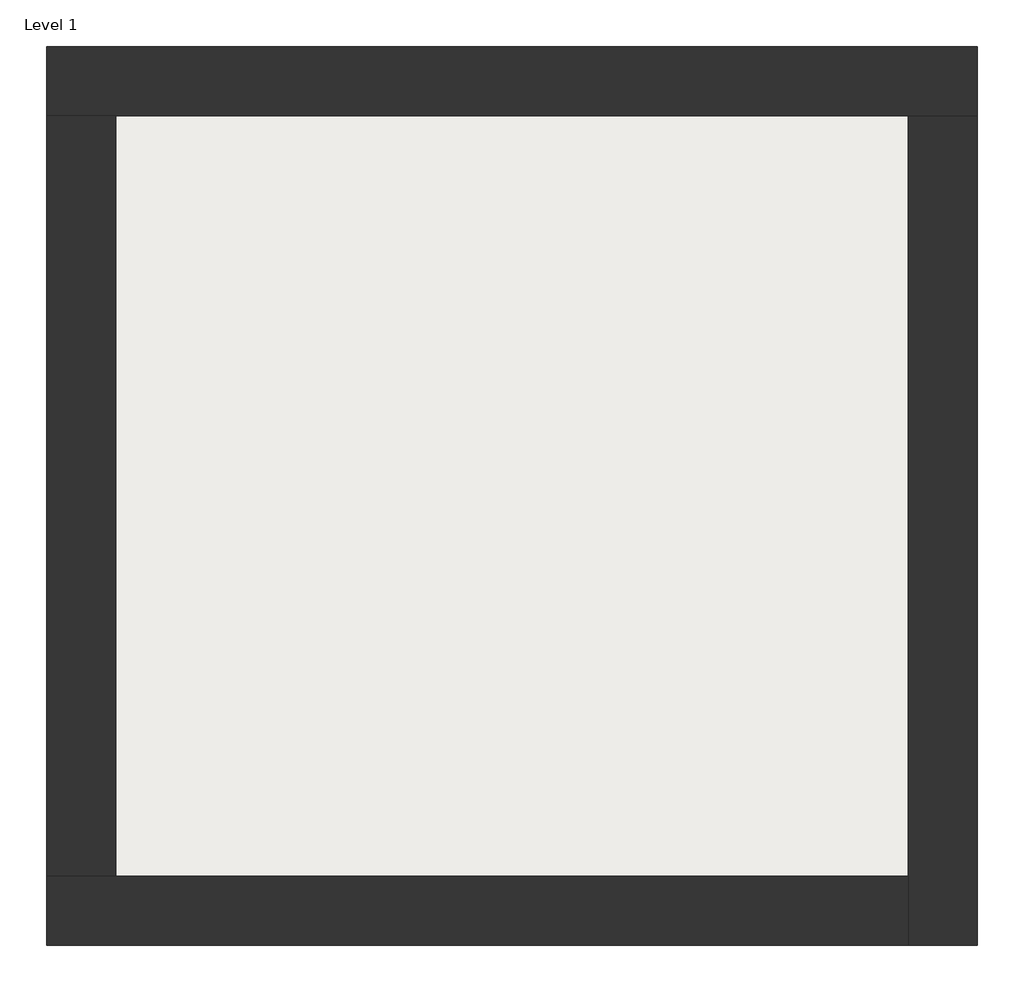
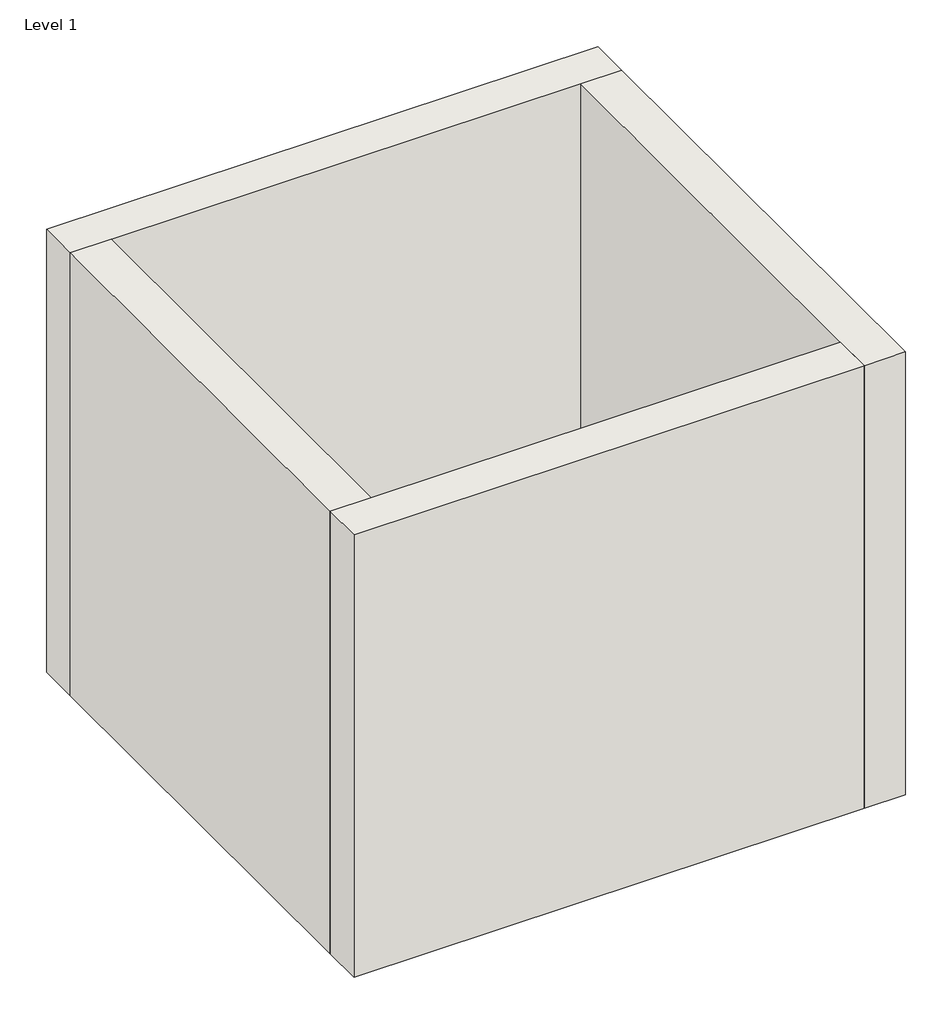
# One storey: 4 walls, 1 slab.
"""IFC4 building model written with IfcOpenShell, lengths in millimetres."""

import ifcopenshell
import ifcopenshell.guid

model = None  # the IFC model being written
_history = None  # IfcOwnerHistory: only IFC2X3 demands one
_inside = {}  # id of a spatial element -> (the spatial element, [elements in it])
_under = {}  # id of a project, library or spatial element -> (it, [spatial elements below it])
_declared = {}  # id of a project -> (the project, [libraries it declares])
_typed = {}  # id of a type object -> (the type object, [elements of that type])
_made_of = {}  # id of a material, layer set ... -> (it, [elements and type objects made of it])


def new_model(schema):
    """Start an empty IFC model of exactly this schema.

    Asked for "IFC4X3", IfcOpenShell would pick the latest addendum, in which some entities
    have other attributes; the version numbers below select the first issue.
    IFC2X3 requires an IfcOwnerHistory on every rooted entity: one is made here for all.
    """
    global model, _history
    if schema == "IFC4X3":
        model = ifcopenshell.file(schema_version=(4, 3, 0, 0))
    else:
        model = ifcopenshell.file(schema=schema)
    _inside.clear()
    _under.clear()
    _declared.clear()
    _typed.clear()
    _made_of.clear()
    _history = None
    if model.schema == "IFC2X3":
        org = make("IfcOrganization", Name="unknown")
        user = make(
            "IfcPersonAndOrganization",
            ThePerson=make("IfcPerson", FamilyName="unknown"),
            TheOrganization=org,
        )
        app = make(
            "IfcApplication",
            ApplicationDeveloper=org,
            Version="unknown",
            ApplicationFullName="unknown",
            ApplicationIdentifier="unknown",
        )
        _history = make(
            "IfcOwnerHistory",
            OwningUser=user,
            OwningApplication=app,
            ChangeAction="ADDED",
            CreationDate=0,
        )
    return model


def make(cls, **values):
    """One entity of the class cls with the attributes given. An attribute that is None is left unset."""
    return model.create_entity(
        cls, **{name: value for name, value in values.items() if value is not None}
    )


def rooted(cls, **values):
    """An entity with a GlobalId (a new one), such as an element, a storey or a relation."""
    return make(cls, GlobalId=ifcopenshell.guid.new(), OwnerHistory=_history, **values)


def si_unit(unit_type, name, prefix=None):
    """IfcSIUnit, for example si_unit("LENGTHUNIT", "METRE", prefix="MILLI")."""
    return make("IfcSIUnit", UnitType=unit_type, Prefix=prefix, Name=name)


def assignment(units):
    """IfcUnitAssignment: the units of a project."""
    return None if units is None else make("IfcUnitAssignment", Units=units)


def point(xyz):
    """IfcCartesianPoint."""
    return None if xyz is None else make("IfcCartesianPoint", Coordinates=xyz)


def direction(xyz):
    """IfcDirection."""
    return None if xyz is None else make("IfcDirection", DirectionRatios=xyz)


def frame(location, z_axis=None, x_axis=None):
    """IfcAxis2Placement3D, a coordinate frame: its origin and axes. An axis left out is left unset."""
    return make(
        "IfcAxis2Placement3D",
        Location=point(location),
        Axis=direction(z_axis),
        RefDirection=direction(x_axis),
    )


def origin():
    """The frame at (0, 0, 0) with its axes left unset."""
    return frame((0.0, 0.0, 0.0))


def origin_with_axes():
    """The frame at (0, 0, 0) with the z axis (0, 0, 1) and the x axis (1, 0, 0) written out."""
    return frame((0.0, 0.0, 0.0), z_axis=(0.0, 0.0, 1.0), x_axis=(1.0, 0.0, 0.0))


def place(relative_to, where):
    """IfcLocalPlacement: puts the frame where relative to a parent placement (None: the world)."""
    return make(
        "IfcLocalPlacement", PlacementRelTo=relative_to, RelativePlacement=where
    )


def context(
    kind, dimensions, precision=None, world=None, true_north=None, identifier=None
):
    """IfcGeometricRepresentationContext, for example the 3D "Model" context."""
    return make(
        "IfcGeometricRepresentationContext",
        ContextIdentifier=identifier,
        ContextType=kind,
        CoordinateSpaceDimension=dimensions,
        Precision=precision,
        WorldCoordinateSystem=world,
        TrueNorth=true_north,
    )


def project(units=None, contexts=None):
    """IfcProject with its units and contexts."""
    return rooted(
        "IfcProject",
        Name="project",
        RepresentationContexts=contexts,
        UnitsInContext=assignment(units),
    )


def spatial(cls, under=None, at=None, **own):
    """A site, building, storey or space (cls), placed at a placement, below another one or the project."""
    s = rooted(cls, ObjectPlacement=at, **own)
    if under is not None:
        _under.setdefault(under.id(), (under, []))[1].append(s)
    return s


def polyline(points):
    """IfcPolyline through the points."""
    return make("IfcPolyline", Points=[point(p) for p in points])


def outline(outer, holes=None, kind="AREA"):
    """IfcArbitraryClosedProfileDef: a profile drawn as a closed curve; with holes, ...WithVoids."""
    if holes is None:
        return make("IfcArbitraryClosedProfileDef", ProfileType=kind, OuterCurve=outer)
    return make(
        "IfcArbitraryProfileDefWithVoids",
        ProfileType=kind,
        OuterCurve=outer,
        InnerCurves=holes,
    )


def extrude(swept, where, along, depth):
    """IfcExtrudedAreaSolid: the profile swept, set in the frame where, extruded along a direction by depth."""
    return make(
        "IfcExtrudedAreaSolid",
        SweptArea=swept,
        Position=where,
        ExtrudedDirection=direction(along),
        Depth=depth,
    )


def faces_of(points, faces, orient=None, outer=None):
    """IfcFace entities. A face is a list of loops; a loop is a list of indices into points, from 0.

    orient and outer hold one flag for each loop. By default every Orientation is true, the
    first loop of a face is its IfcFaceOuterBound and the others are IfcFaceBound.
    """
    made = []
    for i, loops in enumerate(faces):
        bounds = []
        for j, loop in enumerate(loops):
            is_outer = j == 0 if outer is None else outer[i][j]
            bounds.append(
                make(
                    "IfcFaceOuterBound" if is_outer else "IfcFaceBound",
                    Bound=make("IfcPolyLoop", Polygon=[points[k] for k in loop]),
                    Orientation=True if orient is None else orient[i][j],
                )
            )
        made.append(make("IfcFace", Bounds=bounds))
    return made


def faceted_brep(points, faces, orient=None, outer=None, voids=None):
    """IfcFacetedBrep: a solid bounded by flat faces; with voids (closed shells), ...WithVoids."""
    shared = [point(p) for p in points]
    hull = make("IfcClosedShell", CfsFaces=faces_of(shared, faces, orient, outer))
    if voids is None:
        return make("IfcFacetedBrep", Outer=hull)
    return make(
        "IfcFacetedBrepWithVoids",
        Outer=hull,
        Voids=[
            make(cls, CfsFaces=faces_of(shared, fs, o, b)) for cls, fs, o, b in voids
        ],
    )


def shape(context_of_items, identifier, shape_type, items):
    """IfcShapeRepresentation: the items that make up one representation, for example the "Body"."""
    return make(
        "IfcShapeRepresentation",
        ContextOfItems=context_of_items,
        RepresentationIdentifier=identifier,
        RepresentationType=shape_type,
        Items=items,
    )


def made_of(thing, what):
    """Note that an element or type object is made of a material, layer set ...; save() writes the relation."""
    if what is not None:
        _made_of.setdefault(what.id(), (what, []))[1].append(thing)
    return thing


def element(
    cls,
    number,
    at=None,
    inside=None,
    cuts=None,
    type_object=None,
    material=None,
    context=None,
    identifier="Body",
    shape_type=None,
    held_by="IfcProductDefinitionShape",
    body=None,
    shapes=None,
    **own,
):
    """One element of the class cls, such as IfcWall. Its Tag is "e" and its number.

    at: its placement. inside: the storey or other place that contains it. cuts: it is an
    opening in that element (IfcRelVoidsElement). A single representation is given by context,
    identifier, shape_type and body (its items); several are given by shapes. held_by: the class
    of the entity that holds the representations. save() writes the other relations.
    """
    e = rooted(cls, Tag="e%d" % number, ObjectPlacement=at, **own)
    if body is not None:
        shapes = [shape(context, identifier, shape_type, body)]
    if shapes is not None:
        e.Representation = make(held_by, Representations=shapes)
    if inside is not None:
        _inside.setdefault(inside.id(), (inside, []))[1].append(e)
    if cuts is not None:
        rooted(
            "IfcRelVoidsElement", RelatingBuildingElement=cuts, RelatedOpeningElement=e
        )
    if type_object is not None:
        _typed.setdefault(type_object.id(), (type_object, []))[1].append(e)
    return made_of(e, material)


def aggregate(whole, parts):
    """IfcRelAggregates: a whole, such as a stair, and the parts it consists of."""
    return rooted("IfcRelAggregates", RelatingObject=whole, RelatedObjects=parts)


def save(model, path):
    """Write the relations noted so far, then the file.

    IfcRelAggregates (storeys below a building ...), IfcRelContainedInSpatialStructure (elements
    in a storey), IfcRelDefinesByType, IfcRelAssociatesMaterial and IfcRelDeclares: one each for
    every whole, place, type object, material and project.
    """
    for whole, parts in _under.values():
        aggregate(whole, parts)
    for where, things in _inside.values():
        rooted(
            "IfcRelContainedInSpatialStructure",
            RelatedElements=things,
            RelatingStructure=where,
        )
    for kind, things in _typed.values():
        rooted("IfcRelDefinesByType", RelatedObjects=things, RelatingType=kind)
    for what, things in _made_of.values():
        rooted("IfcRelAssociatesMaterial", RelatedObjects=things, RelatingMaterial=what)
    for by, libraries in _declared.values():
        rooted("IfcRelDeclares", RelatingContext=by, RelatedDefinitions=libraries)
    model.write(path)


model = new_model("IFC4")

# Units and contexts
model_context = context("Model", 3, world=origin())
ifc_project = project(units=[si_unit("LENGTHUNIT", "METRE", prefix="MILLI")], contexts=[model_context])

# Site, building, storey
site = spatial("IfcSite", under=ifc_project)
building = spatial("IfcBuilding", under=site)
storey = spatial("IfcBuildingStorey", under=building, Name="Level 1", Elevation=0.0)

# Slab
placement = place(None, origin())
element("IfcSlab", 1, at=placement, inside=storey, context=model_context, shape_type="SweptSolid", body=[
    extrude(outline(polyline([(-10869.3573003, 6934.2750283), (-10869.3573003, 3058.2750283), (-14907.8573003, 3058.2750283), (-14907.8573003, 6934.2750283), (-10869.3573003, 6934.2750283)])), origin_with_axes(), (0.0, 0.0, 1.0), 120.0),
])

# Walls
element("IfcWall", 2, ObjectType="Exterior - Brick on Mtl. Stud", at=placement, inside=storey, context=model_context, shape_type="Brep", body=[
    faceted_brep([(-15244.8573003, 6921.2750283, 0.0), (-14894.8573003, 6921.2750283, 0.0), (-10882.3573003, 6921.2750283, 0.0), (-10532.3573003, 6921.2750283, 0.0), (-10532.3573003, 6921.2750283, 4000.0), (-10882.3573003, 6921.2750283, 4000.0), (-14894.8573003, 6921.2750283, 4000.0), (-15244.8573003, 6921.2750283, 4000.0), (-15244.8573003, 7271.2750283, 0.0), (-15244.8573003, 7271.2750283, 4000.0), (-10532.3573003, 7271.2750283, 4000.0), (-10532.3573003, 7271.2750283, 0.0)], [[[0, 1, 2, 3, 4, 5, 6, 7]], [[8, 9, 10, 11]], [[3, 2, 1, 0, 8, 11]], [[7, 6, 5, 4, 10, 9]], [[0, 7, 9, 8]], [[4, 3, 11, 10]]]),
])
element("IfcWall", 3, ObjectType="Exterior - Brick on Mtl. Stud", at=placement, inside=storey, context=model_context, shape_type="Brep", body=[
    faceted_brep([(-10882.3573003, 6921.2750283, 0.0), (-10882.3573003, 3071.2750283, 0.0), (-10882.3573003, 2721.2750283, 0.0), (-10882.3573003, 2721.2750283, 4000.0), (-10882.3573003, 3071.2750283, 4000.0), (-10882.3573003, 6921.2750283, 4000.0), (-10532.3573003, 6921.2750283, 0.0), (-10532.3573003, 6921.2750283, 4000.0), (-10532.3573003, 2721.2750283, 4000.0), (-10532.3573003, 2721.2750283, 0.0)], [[[0, 1, 2, 3, 4, 5]], [[6, 7, 8, 9]], [[2, 1, 0, 6, 9]], [[5, 4, 3, 8, 7]], [[3, 2, 9, 8]], [[0, 5, 7, 6]]]),
])
element("IfcWall", 4, ObjectType="Exterior - Brick on Mtl. Stud", at=placement, inside=storey, context=model_context, shape_type="Brep", body=[
    faceted_brep([(-10882.3573003, 3071.2750283, 0.0), (-14894.8573003, 3071.2750283, 0.0), (-15244.8573003, 3071.2750283, 0.0), (-15244.8573003, 3071.2750283, 4000.0), (-14894.8573003, 3071.2750283, 4000.0), (-10882.3573003, 3071.2750283, 4000.0), (-10882.3573003, 2721.2750283, 0.0), (-10882.3573003, 2721.2750283, 4000.0), (-15244.8573003, 2721.2750283, 4000.0), (-15244.8573003, 2721.2750283, 0.0)], [[[0, 1, 2, 3, 4, 5]], [[6, 7, 8, 9]], [[2, 1, 0, 6, 9]], [[5, 4, 3, 8, 7]], [[3, 2, 9, 8]], [[0, 5, 7, 6]]]),
])
element("IfcWall", 5, ObjectType="Exterior - Brick on Mtl. Stud", at=placement, inside=storey, context=model_context, shape_type="SweptSolid", body=[
    extrude(outline(polyline([(-14894.8573003, 6921.2750283), (-14894.8573003, 3071.2750283), (-15244.8573003, 3071.2750283), (-15244.8573003, 6921.2750283), (-14894.8573003, 6921.2750283)])), origin_with_axes(), (0.0, 0.0, 1.0), 4000.0),
])

save(model, "model.ifc")
